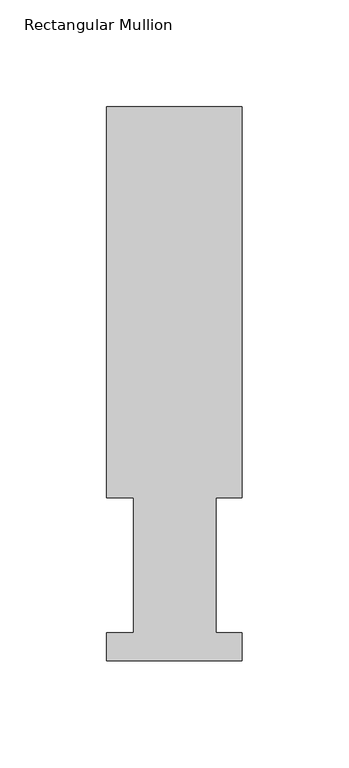
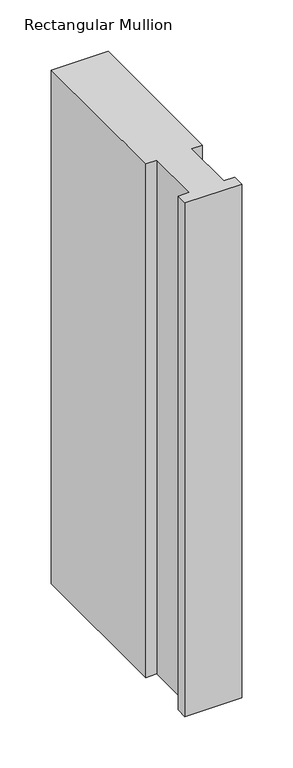
"""IFC4 building model written with IfcOpenShell, lengths in millimetres: member geometry, Rectangular Mullion."""

from ifc_helpers import new_model, si_unit, frame, origin, place, context, project, spatial, polyline, outline, extrude, source, transform, mapped, element, save


def rectangular_mullion_d4376d9f(model_context):
    return source(origin(), model_context, "Body", "SweptSolid", [
        extrude(outline(polyline([(-63.5, 76.2992187), (-63.5, 259.4591074), (0.0, 259.4591074), (0.0, 76.2992187), (-12.3418395, 76.2992187), (-12.3418395, 13.1492189), (0.0, 13.1492189), (0.0, -0.0333811), (-63.5, -0.0333811), (-63.5, 13.1492189), (-50.8, 13.1492189), (-50.8, 76.2992187), (-63.5, 76.2992187)])), frame((0.0, 0.0, -609.6), z_axis=(0.0, 0.0, 1.0), x_axis=(1.0, 0.0, 0.0)), (0.0, 0.0, 1.0), 609.6),
    ])


if __name__ == "__main__":
    model = new_model("IFC4")
    model_context = context("Model", 3, world=origin())
    ifc_project = project(units=[si_unit("LENGTHUNIT", "METRE", prefix="MILLI")], contexts=[model_context])
    site = spatial("IfcSite", under=ifc_project)
    building = spatial("IfcBuilding", under=site)
    placement = place(None, origin())
    rectangular_mullion_shape = rectangular_mullion_d4376d9f(model_context)
    element("IfcMember", 1, ObjectType="Rectangular Mullion", at=placement, inside=building, context=model_context, shape_type="MappedRepresentation", body=[
        mapped(rectangular_mullion_shape, transform((0.0, 0.0, 0.0), x_axis=(1.0, 0.0, 0.0), y_axis=(0.0, 1.0, 0.0), z_axis=(0.0, 0.0, 1.0))),
    ])
    save(model, "model.ifc")
